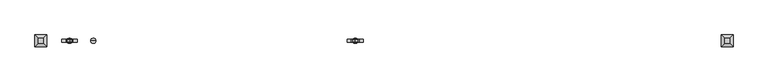
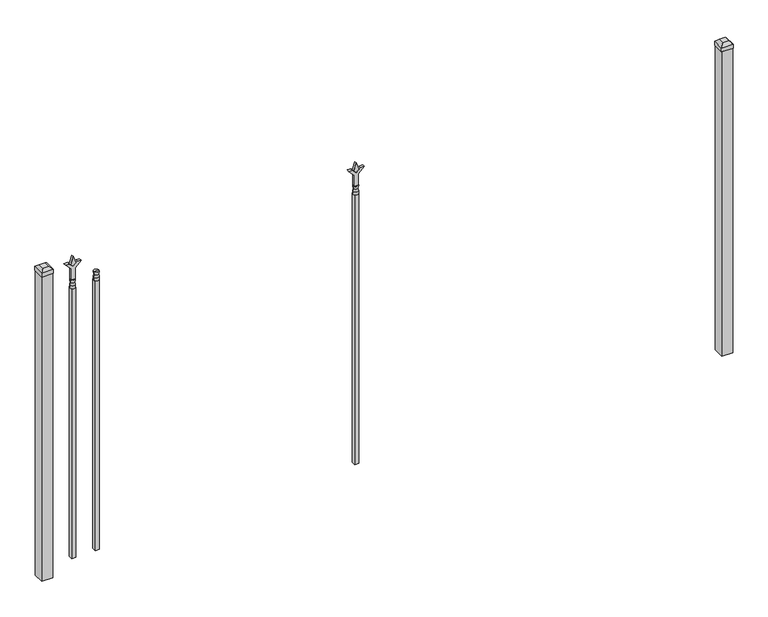
"""IFC4 building model written with IfcOpenShell, lengths in millimetres: railing geometry."""

from ifc_helpers import new_model, si_unit, frame, origin, origin_with_axes, place, context, project, spatial, polyline, circle_curve, outline, extrude, faceted_brep, source, transform, mapped, element, save
from ifc_brep_helpers import plane_surface, cylinder_surface, revolved_surface, advanced_brep


def railing_fccf5f98(model_context):
    return source(origin(), model_context, "Body", "SolidModel", [
        advanced_brep(
        [(-73284.3764203, 3022.3429826, 1384.3), (-73308.1889203, 3022.3429826, 1384.3), (-73308.1889203, 3022.3429826, 1371.6), (-73284.3764203, 3022.3429826, 1371.6), (-73286.5817522, 3022.3429826, 1396.8070585), (-73305.9835884, 3022.3429826, 1396.8070585), (-73284.3764203, 3022.3429826, 1412.875), (-73308.1889203, 3022.3429826, 1412.875), (-73296.2826703, 3022.3429826, 1412.875), (-73296.2826703, 3022.3429826, 1371.6)],
        [
            (0, 1, circle_curve(frame((-73296.2826703, 3022.3429826, 1384.3), z_axis=(0.0, 0.0, -1.0), x_axis=(-1.0, 0.0, 0.0)), 11.90625)),
            (1, 2),
            (2, 3, circle_curve(frame((-73296.2826703, 3022.3429826, 1371.6), z_axis=(0.0, 0.0, 1.0), x_axis=(-1.0, 0.0, 0.0)), 11.90625)),
            (3, 0),
            (1, 0, circle_curve(frame((-73296.2826703, 3022.3429826, 1384.3), z_axis=(0.0, 0.0, -1.0), x_axis=(-1.0, 0.0, 0.0)), 11.90625)),
            (3, 2, circle_curve(frame((-73296.2826703, 3022.3429826, 1371.6), z_axis=(0.0, 0.0, 1.0), x_axis=(-1.0, 0.0, 0.0)), 11.90625)),
            (4, 5, circle_curve(frame((-73296.2826703, 3022.3429826, 1396.8070585), z_axis=(0.0, 0.0, -1.0), x_axis=(-1.0, 0.0, 0.0)), 9.7009181)),
            (5, 1),
            (0, 4),
            (5, 4, circle_curve(frame((-73296.2826703, 3022.3429826, 1396.8070585), z_axis=(0.0, 0.0, -1.0), x_axis=(-1.0, 0.0, 0.0)), 9.7009181)),
            (6, 7, circle_curve(frame((-73296.2826703, 3022.3429826, 1412.875), z_axis=(0.0, 0.0, -1.0), x_axis=(-1.0, 0.0, 0.0)), 11.90625)),
            (7, 5),
            (4, 6),
            (7, 6, circle_curve(frame((-73296.2826703, 3022.3429826, 1412.875), z_axis=(0.0, 0.0, -1.0), x_axis=(-1.0, 0.0, 0.0)), 11.90625)),
            (8, 7),
            (6, 8),
            (2, 9),
            (9, 3),
        ],
        [
            cylinder_surface(frame((-73296.2826703, 3022.3429826, 1371.6), z_axis=(0.0, 0.0, 1.0), x_axis=(-1.0, 0.0, 0.0)), 11.90625),
            revolved_surface(polyline([(-73308.1889203, 3022.3429826, 1384.3), (-73305.9835884, 3022.3429826, 1396.8070585)]), (-73296.2826703, 3022.3429826, 1371.6), (0.0, 0.0, 1.0)),
            revolved_surface(polyline([(-73305.9835884, 3022.3429826, 1396.8070585), (-73308.1889203, 3022.3429826, 1412.875)]), (-73296.2826703, 3022.3429826, 1371.6), (0.0, 0.0, 1.0)),
            plane_surface(frame((-73296.2826703, 3022.3429826, 1412.875), z_axis=(0.0, 0.0, 1.0), x_axis=(-1.0, 0.0, 0.0))),
            plane_surface(frame((-73296.2826703, 3022.3429826, 1371.6), z_axis=(0.0, 0.0, -1.0), x_axis=(-1.0, 0.0, 0.0))),
        ],
        [
            (0, [[1, 2, 3, 4]]),
            (0, [[5, -4, 6, -2]]),
            (1, [[7, 8, -1, 9]]),
            (1, [[10, -9, -5, -8]]),
            (2, [[11, 12, -7, 13]]),
            (2, [[14, -13, -10, -12]]),
            (3, [[15, -11, 16]]),
            (3, [[-16, -14, -15]]),
            (4, [[-3, 17, 18]]),
            (4, [[-6, -18, -17]]),
        ],
    ),
        extrude(outline(polyline([(-73305.8076703, 3031.8679826), (-73286.7576703, 3031.8679826), (-73286.7576703, 3012.8179826), (-73305.8076703, 3012.8179826), (-73305.8076703, 3031.8679826)])), frame((0.0, 0.0, 50.8), z_axis=(0.0, 0.0, 1.0), x_axis=(1.0, 0.0, 0.0)), (0.0, 0.0, 1.0), 1320.8),
        extrude(outline(polyline([(1488.28125, -72082.374337), (1524.0, -72094.280587), (1488.28125, -72106.186837), (1476.375, -72094.280587), (1488.28125, -72082.374337)])), frame((0.0, 3017.5804826, 0.0), z_axis=(0.0, 1.0, 0.0), x_axis=(0.0, 0.0, 1.0)), (0.0, 0.0, 1.0), 9.525),
        extrude(outline(polyline([(1412.875, -72085.549337), (1467.1457378, -72085.549337), (1494.3355122, -72058.3595625), (1494.3355122, -72076.3200747), (1476.375, -72094.280587), (1494.3355122, -72112.2410992), (1494.3355122, -72130.2016114), (1467.1457378, -72103.011837), (1412.875, -72103.011837), (1412.875, -72085.549337)])), frame((0.0, 3015.9929826, 0.0), z_axis=(0.0, 1.0, 0.0), x_axis=(0.0, 0.0, 1.0)), (0.0, 0.0, 1.0), 12.7),
        advanced_brep(
        [(-72082.374337, 3022.3429826, 1384.3), (-72106.186837, 3022.3429826, 1384.3), (-72106.186837, 3022.3429826, 1371.6), (-72082.374337, 3022.3429826, 1371.6), (-72084.5796688, 3022.3429826, 1396.8070585), (-72103.9815051, 3022.3429826, 1396.8070585), (-72082.374337, 3022.3429826, 1412.875), (-72106.186837, 3022.3429826, 1412.875), (-72094.280587, 3022.3429826, 1412.875), (-72094.280587, 3022.3429826, 1371.6)],
        [
            (0, 1, circle_curve(frame((-72094.280587, 3022.3429826, 1384.3), z_axis=(0.0, 0.0, -1.0), x_axis=(-1.0, 0.0, 0.0)), 11.90625)),
            (1, 2),
            (2, 3, circle_curve(frame((-72094.280587, 3022.3429826, 1371.6), z_axis=(0.0, 0.0, 1.0), x_axis=(-1.0, 0.0, 0.0)), 11.90625)),
            (3, 0),
            (1, 0, circle_curve(frame((-72094.280587, 3022.3429826, 1384.3), z_axis=(0.0, 0.0, -1.0), x_axis=(-1.0, 0.0, 0.0)), 11.90625)),
            (3, 2, circle_curve(frame((-72094.280587, 3022.3429826, 1371.6), z_axis=(0.0, 0.0, 1.0), x_axis=(-1.0, 0.0, 0.0)), 11.90625)),
            (4, 5, circle_curve(frame((-72094.280587, 3022.3429826, 1396.8070585), z_axis=(0.0, 0.0, -1.0), x_axis=(-1.0, 0.0, 0.0)), 9.7009181)),
            (5, 1),
            (0, 4),
            (5, 4, circle_curve(frame((-72094.280587, 3022.3429826, 1396.8070585), z_axis=(0.0, 0.0, -1.0), x_axis=(-1.0, 0.0, 0.0)), 9.7009181)),
            (6, 7, circle_curve(frame((-72094.280587, 3022.3429826, 1412.875), z_axis=(0.0, 0.0, -1.0), x_axis=(-1.0, 0.0, 0.0)), 11.90625)),
            (7, 5),
            (4, 6),
            (7, 6, circle_curve(frame((-72094.280587, 3022.3429826, 1412.875), z_axis=(0.0, 0.0, -1.0), x_axis=(-1.0, 0.0, 0.0)), 11.90625)),
            (8, 7),
            (6, 8),
            (2, 9),
            (9, 3),
        ],
        [
            cylinder_surface(frame((-72094.280587, 3022.3429826, 1371.6), z_axis=(0.0, 0.0, 1.0), x_axis=(-1.0, 0.0, 0.0)), 11.90625),
            revolved_surface(polyline([(-72106.186837, 3022.3429826, 1384.3), (-72103.9815051, 3022.3429826, 1396.8070585)]), (-72094.280587, 3022.3429826, 1371.6), (0.0, 0.0, 1.0)),
            revolved_surface(polyline([(-72103.9815051, 3022.3429826, 1396.8070585), (-72106.186837, 3022.3429826, 1412.875)]), (-72094.280587, 3022.3429826, 1371.6), (0.0, 0.0, 1.0)),
            plane_surface(frame((-72094.280587, 3022.3429826, 1412.875), z_axis=(0.0, 0.0, 1.0), x_axis=(-1.0, 0.0, 0.0))),
            plane_surface(frame((-72094.280587, 3022.3429826, 1371.6), z_axis=(0.0, 0.0, -1.0), x_axis=(-1.0, 0.0, 0.0))),
        ],
        [
            (0, [[1, 2, 3, 4]]),
            (0, [[5, -4, 6, -2]]),
            (1, [[7, 8, -1, 9]]),
            (1, [[10, -9, -5, -8]]),
            (2, [[11, 12, -7, 13]]),
            (2, [[14, -13, -10, -12]]),
            (3, [[15, -11, 16]]),
            (3, [[-16, -14, -15]]),
            (4, [[-3, 17, 18]]),
            (4, [[-6, -18, -17]]),
        ],
    ),
        extrude(outline(polyline([(-72103.805587, 3031.8679826), (-72084.755587, 3031.8679826), (-72084.755587, 3012.8179826), (-72103.805587, 3012.8179826), (-72103.805587, 3031.8679826)])), frame((0.0, 0.0, 50.8), z_axis=(0.0, 0.0, 1.0), x_axis=(1.0, 0.0, 0.0)), (0.0, 0.0, 1.0), 1320.8),
        extrude(outline(polyline([(1488.28125, -73393.649337), (1524.0, -73405.555587), (1488.28125, -73417.461837), (1476.375, -73405.555587), (1488.28125, -73393.649337)])), frame((0.0, 3017.5804826, 0.0), z_axis=(0.0, 1.0, 0.0), x_axis=(0.0, 0.0, 1.0)), (0.0, 0.0, 1.0), 9.525),
        extrude(outline(polyline([(1412.875, -73396.824337), (1467.1457378, -73396.824337), (1494.3355122, -73369.6345625), (1494.3355122, -73387.5950747), (1476.375, -73405.555587), (1494.3355122, -73423.5160992), (1494.3355122, -73441.4766114), (1467.1457378, -73414.286837), (1412.875, -73414.286837), (1412.875, -73396.824337)])), frame((0.0, 3015.9929826, 0.0), z_axis=(0.0, 1.0, 0.0), x_axis=(0.0, 0.0, 1.0)), (0.0, 0.0, 1.0), 12.7),
        advanced_brep(
        [(-73393.649337, 3022.3429826, 1384.3), (-73417.461837, 3022.3429826, 1384.3), (-73417.461837, 3022.3429826, 1371.6), (-73393.649337, 3022.3429826, 1371.6), (-73395.8546688, 3022.3429826, 1396.8070585), (-73415.2565051, 3022.3429826, 1396.8070585), (-73393.649337, 3022.3429826, 1412.875), (-73417.461837, 3022.3429826, 1412.875), (-73405.555587, 3022.3429826, 1412.875), (-73405.555587, 3022.3429826, 1371.6)],
        [
            (0, 1, circle_curve(frame((-73405.555587, 3022.3429826, 1384.3), z_axis=(0.0, 0.0, -1.0), x_axis=(-1.0, 0.0, 0.0)), 11.90625)),
            (1, 2),
            (2, 3, circle_curve(frame((-73405.555587, 3022.3429826, 1371.6), z_axis=(0.0, 0.0, 1.0), x_axis=(-1.0, 0.0, 0.0)), 11.90625)),
            (3, 0),
            (1, 0, circle_curve(frame((-73405.555587, 3022.3429826, 1384.3), z_axis=(0.0, 0.0, -1.0), x_axis=(-1.0, 0.0, 0.0)), 11.90625)),
            (3, 2, circle_curve(frame((-73405.555587, 3022.3429826, 1371.6), z_axis=(0.0, 0.0, 1.0), x_axis=(-1.0, 0.0, 0.0)), 11.90625)),
            (4, 5, circle_curve(frame((-73405.555587, 3022.3429826, 1396.8070585), z_axis=(0.0, 0.0, -1.0), x_axis=(-1.0, 0.0, 0.0)), 9.7009181)),
            (5, 1),
            (0, 4),
            (5, 4, circle_curve(frame((-73405.555587, 3022.3429826, 1396.8070585), z_axis=(0.0, 0.0, -1.0), x_axis=(-1.0, 0.0, 0.0)), 9.7009181)),
            (6, 7, circle_curve(frame((-73405.555587, 3022.3429826, 1412.875), z_axis=(0.0, 0.0, -1.0), x_axis=(-1.0, 0.0, 0.0)), 11.90625)),
            (7, 5),
            (4, 6),
            (7, 6, circle_curve(frame((-73405.555587, 3022.3429826, 1412.875), z_axis=(0.0, 0.0, -1.0), x_axis=(-1.0, 0.0, 0.0)), 11.90625)),
            (8, 7),
            (6, 8),
            (2, 9),
            (9, 3),
        ],
        [
            cylinder_surface(frame((-73405.555587, 3022.3429826, 1371.6), z_axis=(0.0, 0.0, 1.0), x_axis=(-1.0, 0.0, 0.0)), 11.90625),
            revolved_surface(polyline([(-73417.461837, 3022.3429826, 1384.3), (-73415.2565051, 3022.3429826, 1396.8070585)]), (-73405.555587, 3022.3429826, 1371.6), (0.0, 0.0, 1.0)),
            revolved_surface(polyline([(-73415.2565051, 3022.3429826, 1396.8070585), (-73417.461837, 3022.3429826, 1412.875)]), (-73405.555587, 3022.3429826, 1371.6), (0.0, 0.0, 1.0)),
            plane_surface(frame((-73405.555587, 3022.3429826, 1412.875), z_axis=(0.0, 0.0, 1.0), x_axis=(-1.0, 0.0, 0.0))),
            plane_surface(frame((-73405.555587, 3022.3429826, 1371.6), z_axis=(0.0, 0.0, -1.0), x_axis=(-1.0, 0.0, 0.0))),
        ],
        [
            (0, [[1, 2, 3, 4]]),
            (0, [[5, -4, 6, -2]]),
            (1, [[7, 8, -1, 9]]),
            (1, [[10, -9, -5, -8]]),
            (2, [[11, 12, -7, 13]]),
            (2, [[14, -13, -10, -12]]),
            (3, [[15, -11, 16]]),
            (3, [[-16, -14, -15]]),
            (4, [[-3, 17, 18]]),
            (4, [[-6, -18, -17]]),
        ],
    ),
        extrude(outline(polyline([(-73415.080587, 3031.8679826), (-73396.030587, 3031.8679826), (-73396.030587, 3012.8179826), (-73415.080587, 3012.8179826), (-73415.080587, 3031.8679826)])), frame((0.0, 0.0, 50.8), z_axis=(0.0, 0.0, 1.0), x_axis=(1.0, 0.0, 0.0)), (0.0, 0.0, 1.0), 1320.8),
        extrude(outline(polyline([(-70362.318087, 3047.7429826), (-70362.318087, 2996.9429826), (-70413.118087, 2996.9429826), (-70413.118087, 3047.7429826), (-70362.318087, 3047.7429826)])), origin_with_axes(), (0.0, 0.0, 1.0), 1492.25),
        faceted_brep([(-70414.705587, 3049.3304826, 1511.3), (-70414.705587, 3049.3304826, 1492.25), (-70414.705587, 2995.3554826, 1492.25), (-70414.705587, 2995.3554826, 1511.3), (-70402.005587, 3036.6304826, 1524.0), (-70402.005587, 3008.0554826, 1524.0), (-70360.730587, 2995.3554826, 1492.25), (-70360.730587, 2995.3554826, 1511.3), (-70373.430587, 3008.0554826, 1524.0), (-70360.730587, 3049.3304826, 1492.25), (-70360.730587, 3049.3304826, 1511.3), (-70373.430587, 3036.6304826, 1524.0)], [[[0, 1, 2, 3]], [[4, 0, 3, 5]], [[3, 2, 6, 7]], [[5, 3, 7, 8]], [[7, 6, 9, 10]], [[8, 7, 10, 11]], [[10, 9, 1, 0]], [[11, 10, 0, 4]], [[5, 8, 11, 4]], [[1, 9, 6, 2]]]),
        extrude(outline(polyline([(-73511.918087, 3047.7429826), (-73511.918087, 2996.9429826), (-73562.718087, 2996.9429826), (-73562.718087, 3047.7429826), (-73511.918087, 3047.7429826)])), origin_with_axes(), (0.0, 0.0, 1.0), 1492.25),
        faceted_brep([(-73564.305587, 3049.3304826, 1511.3), (-73564.305587, 3049.3304826, 1492.25), (-73564.305587, 2995.3554826, 1492.25), (-73564.305587, 2995.3554826, 1511.3), (-73551.605587, 3036.6304826, 1524.0), (-73551.605587, 3008.0554826, 1524.0), (-73510.330587, 2995.3554826, 1492.25), (-73510.330587, 2995.3554826, 1511.3), (-73523.030587, 3008.0554826, 1524.0), (-73510.330587, 3049.3304826, 1492.25), (-73510.330587, 3049.3304826, 1511.3), (-73523.030587, 3036.6304826, 1524.0)], [[[0, 1, 2, 3]], [[4, 0, 3, 5]], [[3, 2, 6, 7]], [[5, 3, 7, 8]], [[7, 6, 9, 10]], [[8, 7, 10, 11]], [[10, 9, 1, 0]], [[11, 10, 0, 4]], [[5, 8, 11, 4]], [[1, 9, 6, 2]]]),
    ])


if __name__ == "__main__":
    model = new_model("IFC4")
    model_context = context("Model", 3, world=origin())
    ifc_project = project(units=[si_unit("LENGTHUNIT", "METRE", prefix="MILLI")], contexts=[model_context])
    site = spatial("IfcSite", under=ifc_project)
    building = spatial("IfcBuilding", under=site)
    placement = place(None, origin())
    railing_shape = railing_fccf5f98(model_context)
    element("IfcRailing", 1, at=placement, inside=building, context=model_context, shape_type="MappedRepresentation", body=[
        mapped(railing_shape, transform((0.0, 0.0, 0.0), x_axis=(1.0, 0.0, 0.0), y_axis=(0.0, 1.0, 0.0), z_axis=(0.0, 0.0, 1.0))),
    ])
    save(model, "model.ifc")
